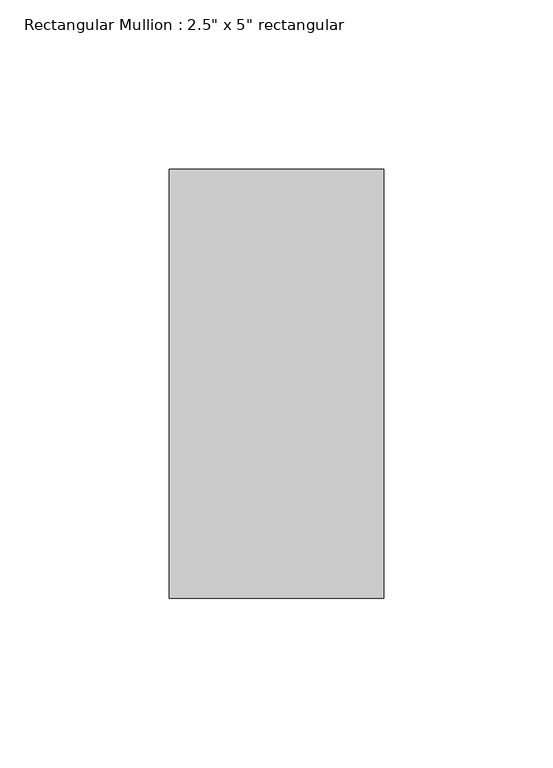
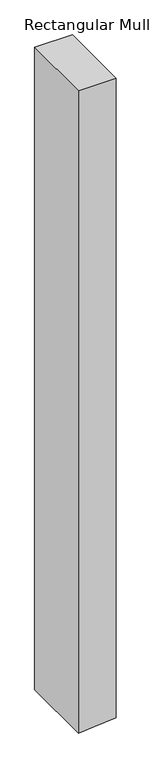
"""IFC4 building model written with IfcOpenShell, lengths in millimetres: member geometry."""

from ifc_helpers import new_model, si_unit, frame, origin, place, context, project, spatial, polyline, outline, extrude, source, transform, mapped, element, save


def member_bbdde058(model_context):
    return source(origin(), model_context, "Body", "SweptSolid", [
        extrude(outline(polyline([(0.0, 31.75), (0.0, -31.75), (-1141.9202723, -31.75), (-1139.8068241, -5.001701), (-1136.9029829, 31.75), (0.0, 31.75)])), frame((0.0, -63.5, 0.0), z_axis=(0.0, 1.0, 0.0), x_axis=(0.0, 0.0, 1.0)), (0.0, 0.0, 1.0), 127.0),
    ])


if __name__ == "__main__":
    model = new_model("IFC4")
    model_context = context("Model", 3, world=origin())
    ifc_project = project(units=[si_unit("LENGTHUNIT", "METRE", prefix="MILLI")], contexts=[model_context])
    site = spatial("IfcSite", under=ifc_project)
    building = spatial("IfcBuilding", under=site)
    placement = place(None, origin())
    member_shape = member_bbdde058(model_context)
    element("IfcMember", 1, ObjectType="Rectangular Mullion : 2.5\" x 5\" rectangular", at=placement, inside=building, context=model_context, shape_type="MappedRepresentation", body=[
        mapped(member_shape, transform((0.0, 0.0, 0.0), x_axis=(1.0, 0.0, 0.0), y_axis=(0.0, 1.0, 0.0), z_axis=(0.0, 0.0, 1.0))),
    ])
    save(model, "model.ifc")
